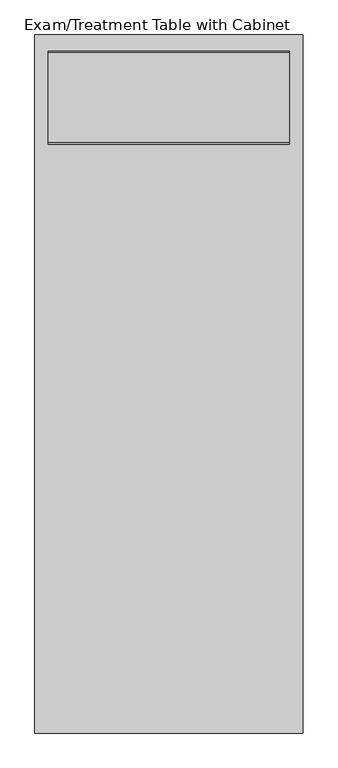
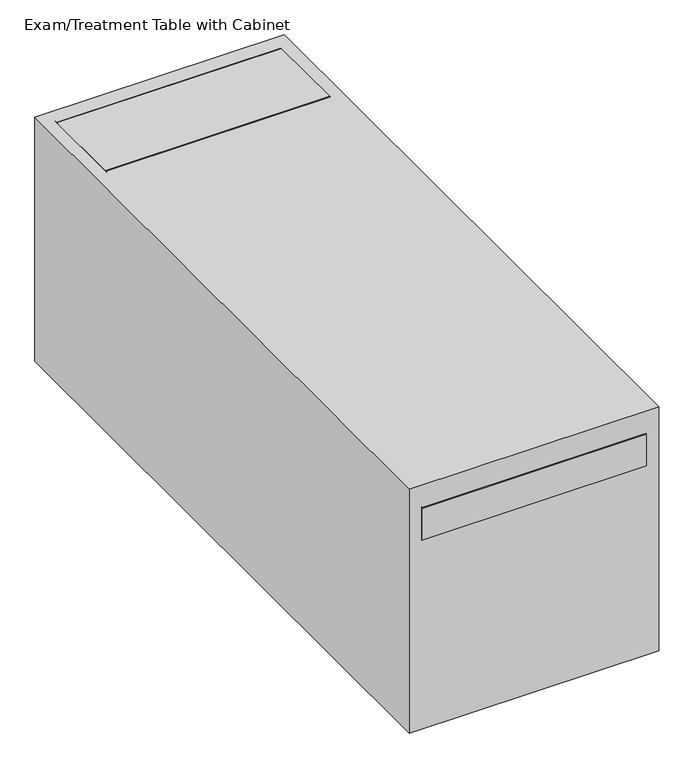
"""IFC4 building model written with IfcOpenShell, lengths in millimetres: proxy geometry, Exam/Treatment Table with Cabinet."""

from ifc_helpers import new_model, si_unit, point, frame, frame_2d, origin, origin_with_axes, place, context, project, spatial, polyline, circle_curve, trimmed, segment, composite_curve, outline, extrude, source, transform, mapped, element, save


def exam_treatment_table_with_cabinet_85ca7f42(model_context):
    return source(origin(), model_context, "Body", "SweptSolid", [
        extrude(outline(polyline([(-292.1, -171.45), (-292.1, -679.45), (-304.8, -679.45), (-304.8, -171.45), (-292.1, -171.45)])), frame((0.0, 0.0, 482.6), z_axis=(0.0, 0.0, 1.0), x_axis=(1.0, 0.0, 0.0)), (0.0, 0.0, 1.0), 127.0),
        extrude(outline(polyline([(-292.1, -171.45), (-292.1, -679.45), (-304.8, -679.45), (-304.8, -171.45), (-292.1, -171.45)])), frame((0.0, 0.0, 273.05), z_axis=(0.0, 0.0, 1.0), x_axis=(1.0, 0.0, 0.0)), (0.0, 0.0, 1.0), 203.2),
        extrude(outline(polyline([(-292.1, -171.45), (-292.1, -679.45), (-304.8, -679.45), (-304.8, -171.45), (-292.1, -171.45)])), frame((0.0, 0.0, 63.5), z_axis=(0.0, 0.0, 1.0), x_axis=(1.0, 0.0, 0.0)), (0.0, 0.0, 1.0), 203.2),
        extrude(outline(polyline([(-292.1, 679.45), (-292.1, 171.45), (-304.8, 171.45), (-304.8, 679.45), (-292.1, 679.45)])), frame((0.0, 0.0, 482.6), z_axis=(0.0, 0.0, 1.0), x_axis=(1.0, 0.0, 0.0)), (0.0, 0.0, 1.0), 127.0),
        extrude(outline(polyline([(-292.1, 679.45), (-292.1, 171.45), (-304.8, 171.45), (-304.8, 679.45), (-292.1, 679.45)])), frame((0.0, 0.0, 273.05), z_axis=(0.0, 0.0, 1.0), x_axis=(1.0, 0.0, 0.0)), (0.0, 0.0, 1.0), 203.2),
        extrude(outline(polyline([(-292.1, 679.45), (-292.1, 171.45), (-304.8, 171.45), (-304.8, 679.45), (-292.1, 679.45)])), frame((0.0, 0.0, 63.5), z_axis=(0.0, 0.0, 1.0), x_axis=(1.0, 0.0, 0.0)), (0.0, 0.0, 1.0), 203.2),
        extrude(outline(polyline([(-292.1, -171.45), (-292.1, -679.45), (-304.8, -679.45), (-304.8, -171.45), (-292.1, -171.45)])), frame((0.0, 0.0, 2.7316701), z_axis=(0.0, 0.0, 1.0), x_axis=(1.0, 0.0, 0.0)), (0.0, 0.0, 1.0), 54.4183299),
        extrude(outline(polyline([(292.1, 685.8), (292.1, -685.8), (-292.1, -685.8), (-292.1, 685.8), (292.1, 685.8)])), origin_with_axes(), (0.0, 0.0, 1.0), 533.4),
        extrude(outline(composite_curve([segment(polyline([(990.6, 609.6), (-990.6, 609.6), (-990.6, 711.2)]), True, "CONTINUOUS"), segment(trimmed(circle_curve(frame_2d((-965.2, 711.2)), 25.4), [point((-990.6, 711.2))], [point((-965.2, 736.6))], False, "CARTESIAN"), True, "CONTINUOUS"), segment(polyline([(-965.2, 736.6), (458.540398, 736.6)]), True, "CONTINUOUS"), segment(trimmed(circle_curve(frame_2d((458.540398, 993.4230592)), 256.8230592), [point((458.540398, 736.6))], [point((553.9220876, 754.9688351))], True, "CARTESIAN"), True, "CONTINUOUS"), segment(polyline([(553.9220876, 754.9688351), (588.4472662, 768.7789065)]), True, "CONTINUOUS"), segment(trimmed(circle_curve(frame_2d((685.1388288, 527.05)), 260.35), [point((588.4472662, 768.7789065))], [point((685.1388288, 787.4))], False, "CARTESIAN"), True, "CONTINUOUS"), segment(polyline([(685.1388288, 787.4), (939.8, 787.4)]), True, "CONTINUOUS"), segment(trimmed(circle_curve(frame_2d((939.8, 736.6)), 50.8), [point((939.8, 787.4))], [point((990.6, 736.6))], False, "CARTESIAN"), True, "CONTINUOUS"), segment(polyline([(990.6, 736.6), (990.6, 609.6)]), True, "CONTINUOUS")], self_intersect=False)), frame((-342.9, 0.0, 0.0), z_axis=(1.0, 0.0, 0.0), x_axis=(0.0, 1.0, 0.0)), (0.0, 0.0, 1.0), 685.8),
        extrude(outline(polyline([(381.0, 990.6), (381.0, -990.6), (-381.0, -990.6), (-381.0, 990.6), (381.0, 990.6)])), origin_with_axes(), (0.0, 0.0, 1.0), 787.4),
        extrude(outline(polyline([(285.75, -711.2), (285.75, -736.6), (-288.8524893, -736.6), (-288.8524893, -711.2), (285.75, -711.2)])), frame((0.0, 0.0, 406.4), z_axis=(0.0, 0.0, 1.0), x_axis=(1.0, 0.0, 0.0)), (0.0, 0.0, 1.0), 25.4),
        extrude(outline(polyline([(285.75, 736.2655691), (285.75, 711.2), (-288.8524893, 711.2), (-288.8524893, 736.2655691), (285.75, 736.2655691)])), frame((0.0, 0.0, 406.4), z_axis=(0.0, 0.0, 1.0), x_axis=(1.0, 0.0, 0.0)), (0.0, 0.0, 1.0), 25.4),
        extrude(outline(polyline([(285.75, -685.8), (285.75, -711.2), (260.35, -711.2), (260.35, -685.8), (285.75, -685.8)])), origin_with_axes(), (0.0, 0.0, 1.0), 609.6),
        extrude(outline(polyline([(-287.5466949, -685.8), (-262.1466949, -685.8), (-262.1466949, -711.2), (-287.5466949, -711.2), (-287.5466949, -685.8)])), origin_with_axes(), (0.0, 0.0, 1.0), 609.6),
        extrude(outline(polyline([(284.2692082, 685.8), (258.8692082, 685.8), (258.8692082, 711.2), (284.2692082, 711.2), (284.2692082, 685.8)])), origin_with_axes(), (0.0, 0.0, 1.0), 609.6),
        extrude(outline(polyline([(-288.8524893, 685.8), (-288.8524893, 711.2), (-263.4524893, 711.2), (-263.4524893, 685.8), (-288.8524893, 685.8)])), origin_with_axes(), (0.0, 0.0, 1.0), 609.6),
    ])


if __name__ == "__main__":
    model = new_model("IFC4")
    model_context = context("Model", 3, world=origin())
    ifc_project = project(units=[si_unit("LENGTHUNIT", "METRE", prefix="MILLI")], contexts=[model_context])
    site = spatial("IfcSite", under=ifc_project)
    building = spatial("IfcBuilding", under=site)
    placement = place(None, origin())
    exam_treatment_table_with_cabinet_shape = exam_treatment_table_with_cabinet_85ca7f42(model_context)
    element("IfcBuildingElementProxy", 1, Name="Exam/Treatment Table with Cabinet", ObjectType="Exam/Treatment Table with Cabinet", at=placement, inside=building, context=model_context, shape_type="MappedRepresentation", body=[
        mapped(exam_treatment_table_with_cabinet_shape, transform((0.0, 0.0, 0.0), x_axis=(1.0, 0.0, 0.0), y_axis=(0.0, 1.0, 0.0), z_axis=(0.0, 0.0, 1.0))),
    ])
    save(model, "model.ifc")
